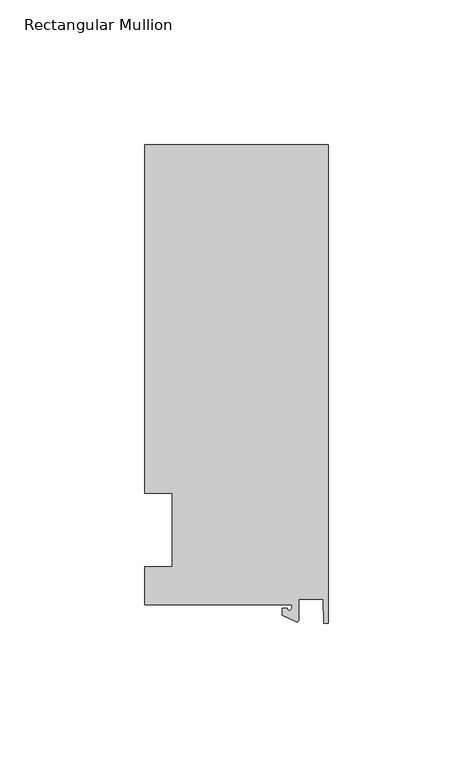
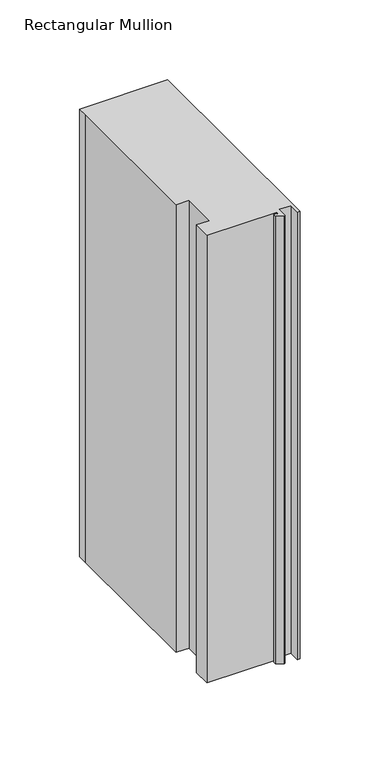
"""IFC4 building model written with IfcOpenShell, lengths in millimetres: member geometry, Rectangular Mullion."""

from ifc_helpers import new_model, si_unit, point, frame, frame_2d, origin, place, context, project, spatial, polyline, circle_curve, trimmed, segment, composite_curve, outline, extrude, source, transform, mapped, element, save


def rectangular_mullion_2989c99a(model_context):
    return source(origin(), model_context, "Body", "SweptSolid", [
        extrude(outline(composite_curve([segment(polyline([(-12.6173814, -25.796875), (-63.5, -25.796875), (-63.5, -12.7), (-53.975, -12.7), (-53.975, 12.7), (-63.5, 12.7), (-63.5, 125.8114907), (-63.5, 133.34365), (0.0, 133.34365), (0.0, -32.288874), (-1.5658966, -32.288874), (-1.7144124, -23.9227662), (-10.2297814, -23.9227662), (-10.2297814, -31.2414327)]), True, "CONTINUOUS"), segment(trimmed(circle_curve(frame_2d((-10.7377814, -31.2414327)), 0.508), [point((-10.2297814, -31.2414327))], [point((-10.9524715, -31.7018371))], False, "CARTESIAN"), True, "CONTINUOUS"), segment(polyline([(-10.9524715, -31.7018371), (-15.7923814, -29.44495), (-15.7923814, -27.0827507), (-14.2048814, -27.0827507)]), True, "CONTINUOUS"), segment(trimmed(circle_curve(frame_2d((-13.4111314, -27.0827507)), 0.79375), [point((-14.2048814, -27.0827507))], [point((-12.6173814, -27.0827507))], True, "CARTESIAN"), True, "CONTINUOUS"), segment(polyline([(-12.6173814, -27.0827507), (-12.6173814, -25.796875)]), True, "CONTINUOUS")], self_intersect=False)), frame((0.0, 0.0, -341.95385), z_axis=(0.0, 0.0, 1.0), x_axis=(1.0, 0.0, 0.0)), (0.0, 0.0, 1.0), 341.95385),
    ])


if __name__ == "__main__":
    model = new_model("IFC4")
    model_context = context("Model", 3, world=origin())
    ifc_project = project(units=[si_unit("LENGTHUNIT", "METRE", prefix="MILLI")], contexts=[model_context])
    site = spatial("IfcSite", under=ifc_project)
    building = spatial("IfcBuilding", under=site)
    placement = place(None, origin())
    rectangular_mullion_shape = rectangular_mullion_2989c99a(model_context)
    element("IfcMember", 1, ObjectType="Rectangular Mullion", at=placement, inside=building, context=model_context, shape_type="MappedRepresentation", body=[
        mapped(rectangular_mullion_shape, transform((0.0, 0.0, 0.0), x_axis=(1.0, 0.0, 0.0), y_axis=(0.0, 1.0, 0.0), z_axis=(0.0, 0.0, 1.0))),
    ])
    save(model, "model.ifc")
